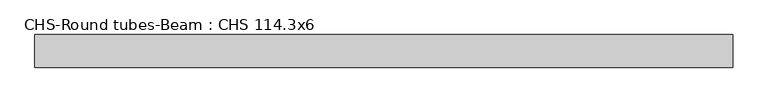
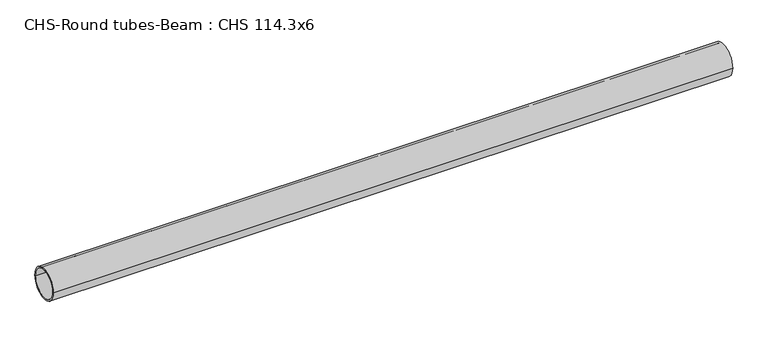
"""IFC4 building model written with IfcOpenShell, lengths in millimetres: beam geometry, CHS-Round tubes-Beam : CHS 114.3x6."""

from ifc_helpers import new_model, si_unit, point, frame, origin, origin_2d, place, context, project, spatial, circle_curve, trimmed, segment, composite_curve, outline, extrude, source, transform, mapped, element, save


def chs_round_tubes_beam_chs_114_3x6_95683eb1(model_context):
    return source(origin(), model_context, "Body", "SweptSolid", [
        extrude(outline(composite_curve([segment(trimmed(circle_curve(origin_2d(), 57.15), [point((57.15, 0.0))], [point((-57.15, 0.0))], False, "CARTESIAN"), True, "CONTINUOUS"), segment(trimmed(circle_curve(origin_2d(), 57.15), [point((-57.15, 0.0))], [point((57.15, 0.0))], False, "CARTESIAN"), True, "CONTINUOUS")], self_intersect=False), holes=[composite_curve([segment(trimmed(circle_curve(origin_2d(), 51.15), [point((51.15, 0.0))], [point((-51.15, 0.0))], True, "CARTESIAN"), True, "CONTINUOUS"), segment(trimmed(circle_curve(origin_2d(), 51.15), [point((-51.15, 0.0))], [point((51.15, 0.0))], True, "CARTESIAN"), True, "CONTINUOUS")], self_intersect=False)]), frame((-1169.7604257, 0.0, 0.0), z_axis=(1.0, 0.0, 0.0), x_axis=(0.0, 1.0, 0.0)), (0.0, 0.0, 1.0), 2442.4761176),
    ])


if __name__ == "__main__":
    model = new_model("IFC4")
    model_context = context("Model", 3, world=origin())
    ifc_project = project(units=[si_unit("LENGTHUNIT", "METRE", prefix="MILLI")], contexts=[model_context])
    site = spatial("IfcSite", under=ifc_project)
    building = spatial("IfcBuilding", under=site)
    placement = place(None, origin())
    chs_round_tubes_beam_chs_114_3x6_shape = chs_round_tubes_beam_chs_114_3x6_95683eb1(model_context)
    element("IfcBeam", 1, ObjectType="CHS-Round tubes-Beam : CHS 114.3x6", at=placement, inside=building, context=model_context, shape_type="MappedRepresentation", body=[
        mapped(chs_round_tubes_beam_chs_114_3x6_shape, transform((0.0, 0.0, 0.0), x_axis=(1.0, 0.0, 0.0), y_axis=(0.0, 1.0, 0.0), z_axis=(0.0, 0.0, 1.0))),
    ])
    save(model, "model.ifc")
